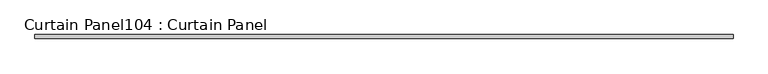
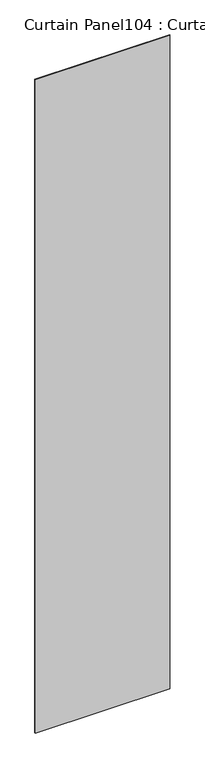
"""IFC4 building model written with IfcOpenShell, lengths in millimetres: plate geometry, Curtain Panel104 : Curtain Panel."""

from ifc_helpers import new_model, si_unit, frame, origin, place, context, project, spatial, polyline, outline, extrude, source, transform, mapped, element, save


def curtain_panel104_curtain_panel_b85daf4a(model_context):
    return source(origin(), model_context, "Body", "SweptSolid", [
        extrude(outline(polyline([(235394.1386393, 2360.4734836), (234188.2407441, 2360.4734836), (234188.2407441, 2366.8234836), (235394.1386393, 2366.8234836), (235394.1386393, 2360.4734836)])), frame((0.0, 0.0, 4914.2249337), z_axis=(0.0, 0.0, 1.0), x_axis=(1.0, 0.0, 0.0)), (0.0, 0.0, 1.0), 6186.1483186),
    ])


if __name__ == "__main__":
    model = new_model("IFC4")
    model_context = context("Model", 3, world=origin())
    ifc_project = project(units=[si_unit("LENGTHUNIT", "METRE", prefix="MILLI")], contexts=[model_context])
    site = spatial("IfcSite", under=ifc_project)
    building = spatial("IfcBuilding", under=site)
    placement = place(None, origin())
    curtain_panel104_curtain_panel_shape = curtain_panel104_curtain_panel_b85daf4a(model_context)
    element("IfcPlate", 1, ObjectType="Curtain Panel104 : Curtain Panel", at=placement, inside=building, context=model_context, shape_type="MappedRepresentation", body=[
        mapped(curtain_panel104_curtain_panel_shape, transform((0.0, 0.0, 0.0), x_axis=(1.0, 0.0, 0.0), y_axis=(0.0, 1.0, 0.0), z_axis=(0.0, 0.0, 1.0))),
    ])
    save(model, "model.ifc")
